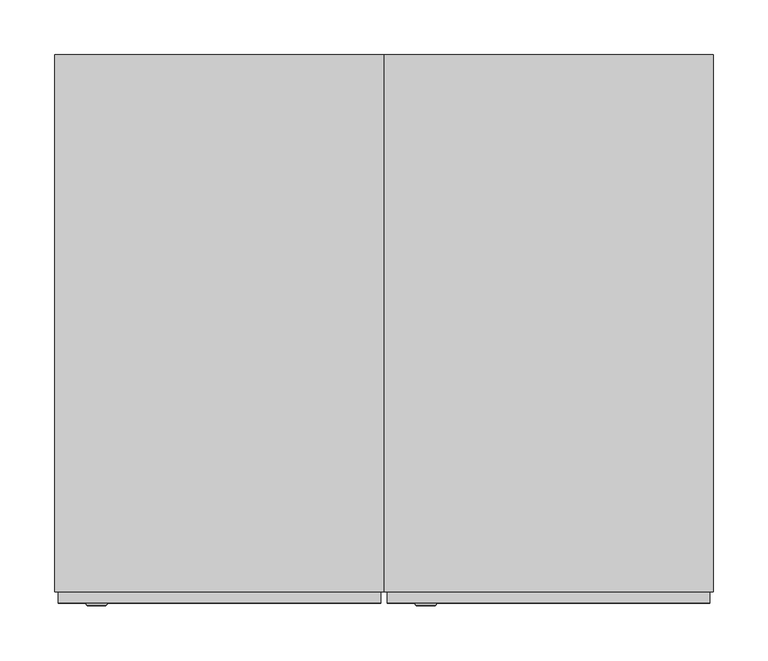
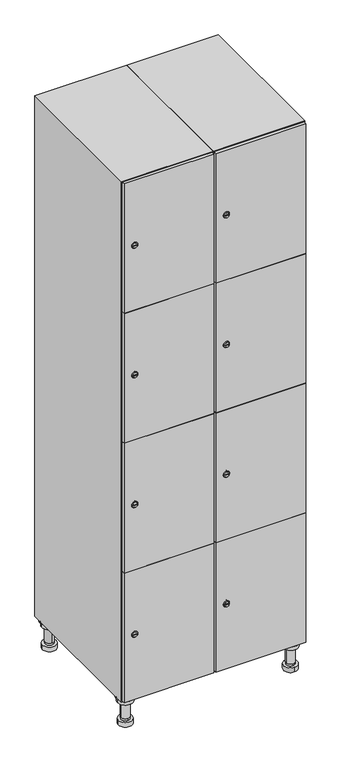
"""IFC4 building model written with IfcOpenShell, lengths in millimetres: furniture geometry."""

from ifc_helpers import new_model, si_unit, point, frame, frame_2d, origin, place, context, project, spatial, polyline, circle_curve, trimmed, segment, composite_curve, outline, extrude, faceted_brep, source, transform, mapped, element, save
from ifc_brep_helpers import plane_surface, cylinder_surface, revolved_surface, advanced_brep


def furniture_4717409e(model_context):
    return source(origin(), model_context, "Body", "SolidModel", [
        advanced_brep(
        [(370.0, -201.0, 22.0), (370.0, -201.5, 16.0), (370.0, -228.5, 16.0), (370.0, -229.0, 22.0), (356.0, -215.0, 22.0), (384.0, -215.0, 22.0), (370.0, -192.5, 16.0), (370.0, -237.5, 16.0), (370.0, -192.5, 0.0), (370.0, -237.5, 0.0), (384.0, -215.0, 78.0), (356.0, -215.0, 78.0), (395.0, -215.0, 78.0), (345.0, -215.0, 78.0), (400.0, -215.0, 94.0), (340.0, -215.0, 94.0), (345.0, -215.0, 94.0), (395.0, -215.0, 94.0), (400.0, -215.0, 100.0), (340.0, -215.0, 100.0)],
        [
            (0, 1),
            (1, 2, circle_curve(frame((370.0, -215.0, 16.0), z_axis=(0.0, 0.0, 1.0), x_axis=(0.0, -1.0, 0.0)), 13.5)),
            (2, 3),
            (3, 4, circle_curve(frame((370.0, -215.0, 22.0), z_axis=(0.0, 0.0, -1.0), x_axis=(0.0, -1.0, 0.0)), 14.0)),
            (4, 0, circle_curve(frame((370.0, -215.0, 22.0), z_axis=(0.0, 0.0, -1.0), x_axis=(0.0, -1.0, 0.0)), 14.0)),
            (0, 5, circle_curve(frame((370.0, -215.0, 22.0), z_axis=(0.0, 0.0, -1.0), x_axis=(0.0, 1.0, 0.0)), 14.0)),
            (5, 3, circle_curve(frame((370.0, -215.0, 22.0), z_axis=(0.0, 0.0, -1.0), x_axis=(0.0, 1.0, 0.0)), 14.0)),
            (2, 1, circle_curve(frame((370.0, -215.0, 16.0), z_axis=(0.0, 0.0, 1.0), x_axis=(0.0, 1.0, 0.0)), 13.5)),
            (6, 7, circle_curve(frame((370.0, -215.0, 16.0), z_axis=(0.0, 0.0, 1.0), x_axis=(0.0, -1.0, 0.0)), 22.5)),
            (7, 6, circle_curve(frame((370.0, -215.0, 16.0), z_axis=(0.0, 0.0, 1.0), x_axis=(0.0, -1.0, 0.0)), 22.5)),
            (8, 9, circle_curve(frame((370.0, -215.0, 0.0), z_axis=(0.0, 0.0, -1.0), x_axis=(0.0, -1.0, 0.0)), 22.5)),
            (9, 8, circle_curve(frame((370.0, -215.0, 0.0), z_axis=(0.0, 0.0, -1.0), x_axis=(0.0, -1.0, 0.0)), 22.5)),
            (6, 8),
            (9, 7),
            (5, 10),
            (10, 11, circle_curve(frame((370.0, -215.0, 78.0), z_axis=(0.0, 0.0, -1.0), x_axis=(-1.0, 0.0, 0.0)), 14.0)),
            (11, 4),
            (11, 10, circle_curve(frame((370.0, -215.0, 78.0), z_axis=(0.0, 0.0, -1.0), x_axis=(-1.0, 0.0, 0.0)), 14.0)),
            (12, 13, circle_curve(frame((370.0, -215.0, 78.0), z_axis=(0.0, 0.0, -1.0), x_axis=(-1.0, 0.0, 0.0)), 25.0)),
            (13, 12, circle_curve(frame((370.0, -215.0, 78.0), z_axis=(0.0, 0.0, -1.0), x_axis=(-1.0, 0.0, 0.0)), 25.0)),
            (14, 15, circle_curve(frame((370.0, -215.0, 94.0), z_axis=(0.0, 0.0, -1.0), x_axis=(-1.0, 0.0, 0.0)), 30.0)),
            (15, 14, circle_curve(frame((370.0, -215.0, 94.0), z_axis=(0.0, 0.0, -1.0), x_axis=(-1.0, 0.0, 0.0)), 30.0)),
            (16, 17, circle_curve(frame((370.0, -215.0, 94.0), z_axis=(0.0, 0.0, 1.0), x_axis=(-1.0, 0.0, 0.0)), 25.0)),
            (17, 16, circle_curve(frame((370.0, -215.0, 94.0), z_axis=(0.0, 0.0, 1.0), x_axis=(-1.0, 0.0, 0.0)), 25.0)),
            (18, 19, circle_curve(frame((370.0, -215.0, 100.0), z_axis=(0.0, 0.0, 1.0), x_axis=(-1.0, 0.0, 0.0)), 30.0)),
            (19, 18, circle_curve(frame((370.0, -215.0, 100.0), z_axis=(0.0, 0.0, 1.0), x_axis=(-1.0, 0.0, 0.0)), 30.0)),
            (14, 18),
            (19, 15),
            (12, 17),
            (16, 13),
        ],
        [
            revolved_surface(polyline([(370.0, -201.5, 16.0), (370.0, -201.0, 22.0)]), (370.0, -215.0, -146.0), (0.0, 0.0, 1.0)),
            plane_surface(frame((370.0, 0.0, 16.0), z_axis=(0.0, 0.0, 1.0), x_axis=(0.0, -1.0, 0.0))),
            plane_surface(frame((370.0, 0.0, 0.0), z_axis=(0.0, 0.0, -1.0), x_axis=(0.0, -1.0, 0.0))),
            cylinder_surface(frame((370.0, -215.0, 16.0), z_axis=(0.0, 0.0, 1.0), x_axis=(0.0, -1.0, 0.0)), 22.5),
            cylinder_surface(frame((370.0, -215.0, 22.0), z_axis=(0.0, 0.0, -1.0), x_axis=(-1.0, 0.0, 0.0)), 14.0),
            plane_surface(frame((370.0, 0.0, 78.0), z_axis=(0.0, 0.0, -1.0), x_axis=(0.0, -1.0, 0.0))),
            plane_surface(frame((370.0, 0.0, 94.0), z_axis=(0.0, 0.0, -1.0), x_axis=(0.0, -1.0, 0.0))),
            plane_surface(frame((370.0, 0.0, 100.0), z_axis=(0.0, 0.0, 1.0), x_axis=(0.0, -1.0, 0.0))),
            cylinder_surface(frame((370.0, -215.0, 94.0), z_axis=(0.0, 0.0, -1.0), x_axis=(-1.0, 0.0, 0.0)), 30.0),
            cylinder_surface(frame((370.0, -215.0, 78.0), z_axis=(0.0, 0.0, -1.0), x_axis=(-1.0, 0.0, 0.0)), 25.0),
        ],
        [
            (0, [[1, 2, 3, 4, 5]]),
            (0, [[-1, 6, 7, -3, 8]]),
            (1, [[9, 10], [-2, -8]]),
            (2, [[11, 12]]),
            (3, [[-9, 13, -12, 14]]),
            (3, [[-10, -14, -11, -13]]),
            (4, [[15, 16, 17, -4, -7]]),
            (4, [[-15, -6, -5, -17, 18]]),
            (5, [[19, 20], [-16, -18]]),
            (6, [[21, 22], [23, 24]]),
            (7, [[25, 26]]),
            (8, [[-21, 27, -26, 28]]),
            (8, [[-22, -28, -25, -27]]),
            (9, [[-19, 29, -23, 30]]),
            (9, [[-20, -30, -24, -29]]),
        ],
    ),
        advanced_brep(
        [(-170.0, -201.0, 22.0), (-170.0, -201.5, 16.0), (-170.0, -228.5, 16.0), (-170.0, -229.0, 22.0), (-184.0, -215.0, 22.0), (-156.0, -215.0, 22.0), (-147.5, -215.0, 0.0), (-192.5, -215.0, 0.0), (-147.5, -215.0, 16.0), (-192.5, -215.0, 16.0), (-156.0, -215.0, 78.0), (-184.0, -215.0, 78.0), (-145.0, -215.0, 78.0), (-195.0, -215.0, 78.0), (-140.0, -215.0, 94.0), (-200.0, -215.0, 94.0), (-195.0, -215.0, 94.0), (-145.0, -215.0, 94.0), (-140.0, -215.0, 100.0), (-200.0, -215.0, 100.0)],
        [
            (0, 1),
            (1, 2, circle_curve(frame((-170.0, -215.0, 16.0), z_axis=(0.0, 0.0, 1.0), x_axis=(0.0, -1.0, 0.0)), 13.5)),
            (2, 3),
            (3, 4, circle_curve(frame((-170.0, -215.0, 22.0), z_axis=(0.0, 0.0, -1.0), x_axis=(0.0, -1.0, 0.0)), 14.0)),
            (4, 0, circle_curve(frame((-170.0, -215.0, 22.0), z_axis=(0.0, 0.0, -1.0), x_axis=(0.0, -1.0, 0.0)), 14.0)),
            (0, 5, circle_curve(frame((-170.0, -215.0, 22.0), z_axis=(0.0, 0.0, -1.0), x_axis=(0.0, 1.0, 0.0)), 14.0)),
            (5, 3, circle_curve(frame((-170.0, -215.0, 22.0), z_axis=(0.0, 0.0, -1.0), x_axis=(0.0, 1.0, 0.0)), 14.0)),
            (2, 1, circle_curve(frame((-170.0, -215.0, 16.0), z_axis=(0.0, 0.0, 1.0), x_axis=(0.0, 1.0, 0.0)), 13.5)),
            (6, 7, circle_curve(frame((-170.0, -215.0, 0.0), z_axis=(0.0, 0.0, -1.0), x_axis=(-1.0, 0.0, 0.0)), 22.5)),
            (7, 6, circle_curve(frame((-170.0, -215.0, 0.0), z_axis=(0.0, 0.0, -1.0), x_axis=(-1.0, 0.0, 0.0)), 22.5)),
            (8, 9, circle_curve(frame((-170.0, -215.0, 16.0), z_axis=(0.0, 0.0, 1.0), x_axis=(-1.0, 0.0, 0.0)), 22.5)),
            (9, 8, circle_curve(frame((-170.0, -215.0, 16.0), z_axis=(0.0, 0.0, 1.0), x_axis=(-1.0, 0.0, 0.0)), 22.5)),
            (6, 8),
            (9, 7),
            (5, 10),
            (10, 11, circle_curve(frame((-170.0, -215.0, 78.0), z_axis=(0.0, 0.0, -1.0), x_axis=(-1.0, 0.0, 0.0)), 14.0)),
            (11, 4),
            (11, 10, circle_curve(frame((-170.0, -215.0, 78.0), z_axis=(0.0, 0.0, -1.0), x_axis=(-1.0, 0.0, 0.0)), 14.0)),
            (12, 13, circle_curve(frame((-170.0, -215.0, 78.0), z_axis=(0.0, 0.0, -1.0), x_axis=(-1.0, 0.0, 0.0)), 25.0)),
            (13, 12, circle_curve(frame((-170.0, -215.0, 78.0), z_axis=(0.0, 0.0, -1.0), x_axis=(-1.0, 0.0, 0.0)), 25.0)),
            (14, 15, circle_curve(frame((-170.0, -215.0, 94.0), z_axis=(0.0, 0.0, -1.0), x_axis=(-1.0, 0.0, 0.0)), 30.0)),
            (15, 14, circle_curve(frame((-170.0, -215.0, 94.0), z_axis=(0.0, 0.0, -1.0), x_axis=(-1.0, 0.0, 0.0)), 30.0)),
            (16, 17, circle_curve(frame((-170.0, -215.0, 94.0), z_axis=(0.0, 0.0, 1.0), x_axis=(-1.0, 0.0, 0.0)), 25.0)),
            (17, 16, circle_curve(frame((-170.0, -215.0, 94.0), z_axis=(0.0, 0.0, 1.0), x_axis=(-1.0, 0.0, 0.0)), 25.0)),
            (18, 19, circle_curve(frame((-170.0, -215.0, 100.0), z_axis=(0.0, 0.0, 1.0), x_axis=(-1.0, 0.0, 0.0)), 30.0)),
            (19, 18, circle_curve(frame((-170.0, -215.0, 100.0), z_axis=(0.0, 0.0, 1.0), x_axis=(-1.0, 0.0, 0.0)), 30.0)),
            (14, 18),
            (19, 15),
            (12, 17),
            (16, 13),
        ],
        [
            revolved_surface(polyline([(-170.0, -201.5, 16.0), (-170.0, -201.0, 22.0)]), (-170.0, -215.0, -146.0), (0.0, 0.0, 1.0)),
            plane_surface(frame((-170.0, 0.0, 0.0), z_axis=(0.0, 0.0, -1.0), x_axis=(0.0, -1.0, 0.0))),
            plane_surface(frame((-170.0, 0.0, 16.0), z_axis=(0.0, 0.0, 1.0), x_axis=(0.0, -1.0, 0.0))),
            cylinder_surface(frame((-170.0, -215.0, 0.0), z_axis=(0.0, 0.0, -1.0), x_axis=(-1.0, 0.0, 0.0)), 22.5),
            cylinder_surface(frame((-170.0, -215.0, 22.0), z_axis=(0.0, 0.0, -1.0), x_axis=(-1.0, 0.0, 0.0)), 14.0),
            plane_surface(frame((-170.0, 0.0, 78.0), z_axis=(0.0, 0.0, -1.0), x_axis=(0.0, -1.0, 0.0))),
            plane_surface(frame((-170.0, 0.0, 94.0), z_axis=(0.0, 0.0, -1.0), x_axis=(0.0, -1.0, 0.0))),
            plane_surface(frame((-170.0, 0.0, 100.0), z_axis=(0.0, 0.0, 1.0), x_axis=(0.0, -1.0, 0.0))),
            cylinder_surface(frame((-170.0, -215.0, 94.0), z_axis=(0.0, 0.0, -1.0), x_axis=(-1.0, 0.0, 0.0)), 30.0),
            cylinder_surface(frame((-170.0, -215.0, 78.0), z_axis=(0.0, 0.0, -1.0), x_axis=(-1.0, 0.0, 0.0)), 25.0),
        ],
        [
            (0, [[1, 2, 3, 4, 5]]),
            (0, [[-1, 6, 7, -3, 8]]),
            (1, [[9, 10]]),
            (2, [[11, 12], [-2, -8]]),
            (3, [[-9, 13, -12, 14]]),
            (3, [[-10, -14, -11, -13]]),
            (4, [[15, 16, 17, -4, -7]]),
            (4, [[-15, -6, -5, -17, 18]]),
            (5, [[19, 20], [-16, -18]]),
            (6, [[21, 22], [23, 24]]),
            (7, [[25, 26]]),
            (8, [[-21, 27, -26, 28]]),
            (8, [[-22, -28, -25, -27]]),
            (9, [[-19, 29, -23, 30]]),
            (9, [[-20, -30, -24, -29]]),
        ],
    ),
        advanced_brep(
        [(383.5, 215.0, 16.0), (384.0, 215.0, 22.0), (356.0, 215.0, 22.0), (356.5, 215.0, 16.0), (392.5, 215.0, 0.0), (347.5, 215.0, 0.0), (392.5, 215.0, 16.0), (347.5, 215.0, 16.0), (384.0, 215.0, 78.0), (356.0, 215.0, 78.0), (395.0, 215.0, 78.0), (345.0, 215.0, 78.0), (400.0, 215.0, 94.0), (340.0, 215.0, 94.0), (345.0, 215.0, 94.0), (395.0, 215.0, 94.0), (400.0, 215.0, 100.0), (340.0, 215.0, 100.0)],
        [
            (0, 1),
            (1, 2, circle_curve(frame((370.0, 215.0, 22.0), z_axis=(0.0, 0.0, -1.0), x_axis=(-1.0, 0.0, 0.0)), 14.0)),
            (2, 3),
            (3, 0, circle_curve(frame((370.0, 215.0, 16.0), z_axis=(0.0, 0.0, 1.0), x_axis=(-1.0, 0.0, 0.0)), 13.5)),
            (0, 3, circle_curve(frame((370.0, 215.0, 16.0), z_axis=(0.0, 0.0, 1.0), x_axis=(1.0, 0.0, 0.0)), 13.5)),
            (2, 1, circle_curve(frame((370.0, 215.0, 22.0), z_axis=(0.0, 0.0, -1.0), x_axis=(1.0, 0.0, 0.0)), 14.0)),
            (4, 5, circle_curve(frame((370.0, 215.0, 0.0), z_axis=(0.0, 0.0, -1.0), x_axis=(-1.0, 0.0, 0.0)), 22.5)),
            (5, 4, circle_curve(frame((370.0, 215.0, 0.0), z_axis=(0.0, 0.0, -1.0), x_axis=(-1.0, 0.0, 0.0)), 22.5)),
            (6, 7, circle_curve(frame((370.0, 215.0, 16.0), z_axis=(0.0, 0.0, 1.0), x_axis=(-1.0, 0.0, 0.0)), 22.5)),
            (7, 6, circle_curve(frame((370.0, 215.0, 16.0), z_axis=(0.0, 0.0, 1.0), x_axis=(-1.0, 0.0, 0.0)), 22.5)),
            (4, 6),
            (7, 5),
            (1, 8),
            (8, 9, circle_curve(frame((370.0, 215.0, 78.0), z_axis=(0.0, 0.0, -1.0), x_axis=(-1.0, 0.0, 0.0)), 14.0)),
            (9, 2),
            (9, 8, circle_curve(frame((370.0, 215.0, 78.0), z_axis=(0.0, 0.0, -1.0), x_axis=(-1.0, 0.0, 0.0)), 14.0)),
            (10, 11, circle_curve(frame((370.0, 215.0, 78.0), z_axis=(0.0, 0.0, -1.0), x_axis=(-1.0, 0.0, 0.0)), 25.0)),
            (11, 10, circle_curve(frame((370.0, 215.0, 78.0), z_axis=(0.0, 0.0, -1.0), x_axis=(-1.0, 0.0, 0.0)), 25.0)),
            (12, 13, circle_curve(frame((370.0, 215.0, 94.0), z_axis=(0.0, 0.0, -1.0), x_axis=(-1.0, 0.0, 0.0)), 30.0)),
            (13, 12, circle_curve(frame((370.0, 215.0, 94.0), z_axis=(0.0, 0.0, -1.0), x_axis=(-1.0, 0.0, 0.0)), 30.0)),
            (14, 15, circle_curve(frame((370.0, 215.0, 94.0), z_axis=(0.0, 0.0, 1.0), x_axis=(-1.0, 0.0, 0.0)), 25.0)),
            (15, 14, circle_curve(frame((370.0, 215.0, 94.0), z_axis=(0.0, 0.0, 1.0), x_axis=(-1.0, 0.0, 0.0)), 25.0)),
            (16, 17, circle_curve(frame((370.0, 215.0, 100.0), z_axis=(0.0, 0.0, 1.0), x_axis=(-1.0, 0.0, 0.0)), 30.0)),
            (17, 16, circle_curve(frame((370.0, 215.0, 100.0), z_axis=(0.0, 0.0, 1.0), x_axis=(-1.0, 0.0, 0.0)), 30.0)),
            (12, 16),
            (17, 13),
            (10, 15),
            (14, 11),
        ],
        [
            revolved_surface(polyline([(383.5, 215.0, 16.0), (384.0, 215.0, 22.0)]), (370.0, 215.0, -146.0), (0.0, 0.0, 1.0)),
            plane_surface(frame((370.0, 0.0, 0.0), z_axis=(0.0, 0.0, -1.0), x_axis=(0.0, -1.0, 0.0))),
            plane_surface(frame((370.0, 0.0, 16.0), z_axis=(0.0, 0.0, 1.0), x_axis=(0.0, -1.0, 0.0))),
            cylinder_surface(frame((370.0, 215.0, 0.0), z_axis=(0.0, 0.0, -1.0), x_axis=(-1.0, 0.0, 0.0)), 22.5),
            cylinder_surface(frame((370.0, 215.0, 22.0), z_axis=(0.0, 0.0, -1.0), x_axis=(-1.0, 0.0, 0.0)), 14.0),
            plane_surface(frame((370.0, 0.0, 78.0), z_axis=(0.0, 0.0, -1.0), x_axis=(0.0, -1.0, 0.0))),
            plane_surface(frame((370.0, 0.0, 94.0), z_axis=(0.0, 0.0, -1.0), x_axis=(0.0, -1.0, 0.0))),
            plane_surface(frame((370.0, 0.0, 100.0), z_axis=(0.0, 0.0, 1.0), x_axis=(0.0, -1.0, 0.0))),
            cylinder_surface(frame((370.0, 215.0, 94.0), z_axis=(0.0, 0.0, -1.0), x_axis=(-1.0, 0.0, 0.0)), 30.0),
            cylinder_surface(frame((370.0, 215.0, 78.0), z_axis=(0.0, 0.0, -1.0), x_axis=(-1.0, 0.0, 0.0)), 25.0),
        ],
        [
            (0, [[1, 2, 3, 4]]),
            (0, [[-1, 5, -3, 6]]),
            (1, [[7, 8]]),
            (2, [[9, 10], [-4, -5]]),
            (3, [[-7, 11, -10, 12]]),
            (3, [[-8, -12, -9, -11]]),
            (4, [[13, 14, 15, -2]]),
            (4, [[-13, -6, -15, 16]]),
            (5, [[17, 18], [-14, -16]]),
            (6, [[19, 20], [21, 22]]),
            (7, [[23, 24]]),
            (8, [[-19, 25, -24, 26]]),
            (8, [[-20, -26, -23, -25]]),
            (9, [[-17, 27, -21, 28]]),
            (9, [[-18, -28, -22, -27]]),
        ],
    ),
        advanced_brep(
        [(-156.5, 215.0, 16.0), (-156.0, 215.0, 22.0), (-170.0, 201.0, 22.0), (-184.0, 215.0, 22.0), (-183.5, 215.0, 16.0), (-170.0, 229.0, 22.0), (-147.5, 215.0, 0.0), (-192.5, 215.0, 0.0), (-147.5, 215.0, 16.0), (-192.5, 215.0, 16.0), (-170.0, 229.0, 78.0), (-170.0, 201.0, 78.0), (-145.0, 215.0, 78.0), (-195.0, 215.0, 78.0), (-140.0, 215.0, 94.0), (-200.0, 215.0, 94.0), (-195.0, 215.0, 94.0), (-145.0, 215.0, 94.0), (-140.0, 215.0, 100.0), (-200.0, 215.0, 100.0)],
        [
            (0, 1),
            (1, 2, circle_curve(frame((-170.0, 215.0, 22.0), z_axis=(0.0, 0.0, -1.0), x_axis=(-1.0, 0.0, 0.0)), 14.0)),
            (2, 3, circle_curve(frame((-170.0, 215.0, 22.0), z_axis=(0.0, 0.0, -1.0), x_axis=(-1.0, 0.0, 0.0)), 14.0)),
            (3, 4),
            (4, 0, circle_curve(frame((-170.0, 215.0, 16.0), z_axis=(0.0, 0.0, 1.0), x_axis=(-1.0, 0.0, 0.0)), 13.5)),
            (0, 4, circle_curve(frame((-170.0, 215.0, 16.0), z_axis=(0.0, 0.0, 1.0), x_axis=(1.0, 0.0, 0.0)), 13.5)),
            (3, 5, circle_curve(frame((-170.0, 215.0, 22.0), z_axis=(0.0, 0.0, -1.0), x_axis=(1.0, 0.0, 0.0)), 14.0)),
            (5, 1, circle_curve(frame((-170.0, 215.0, 22.0), z_axis=(0.0, 0.0, -1.0), x_axis=(1.0, 0.0, 0.0)), 14.0)),
            (6, 7, circle_curve(frame((-170.0, 215.0, 0.0), z_axis=(0.0, 0.0, -1.0), x_axis=(-1.0, 0.0, 0.0)), 22.5)),
            (7, 6, circle_curve(frame((-170.0, 215.0, 0.0), z_axis=(0.0, 0.0, -1.0), x_axis=(-1.0, 0.0, 0.0)), 22.5)),
            (8, 9, circle_curve(frame((-170.0, 215.0, 16.0), z_axis=(0.0, 0.0, 1.0), x_axis=(-1.0, 0.0, 0.0)), 22.5)),
            (9, 8, circle_curve(frame((-170.0, 215.0, 16.0), z_axis=(0.0, 0.0, 1.0), x_axis=(-1.0, 0.0, 0.0)), 22.5)),
            (6, 8),
            (9, 7),
            (10, 5),
            (2, 11),
            (11, 10, circle_curve(frame((-170.0, 215.0, 78.0), z_axis=(0.0, 0.0, -1.0), x_axis=(0.0, -1.0, 0.0)), 14.0)),
            (10, 11, circle_curve(frame((-170.0, 215.0, 78.0), z_axis=(0.0, 0.0, -1.0), x_axis=(0.0, -1.0, 0.0)), 14.0)),
            (12, 13, circle_curve(frame((-170.0, 215.0, 78.0), z_axis=(0.0, 0.0, -1.0), x_axis=(-1.0, 0.0, 0.0)), 25.0)),
            (13, 12, circle_curve(frame((-170.0, 215.0, 78.0), z_axis=(0.0, 0.0, -1.0), x_axis=(-1.0, 0.0, 0.0)), 25.0)),
            (14, 15, circle_curve(frame((-170.0, 215.0, 94.0), z_axis=(0.0, 0.0, -1.0), x_axis=(-1.0, 0.0, 0.0)), 30.0)),
            (15, 14, circle_curve(frame((-170.0, 215.0, 94.0), z_axis=(0.0, 0.0, -1.0), x_axis=(-1.0, 0.0, 0.0)), 30.0)),
            (16, 17, circle_curve(frame((-170.0, 215.0, 94.0), z_axis=(0.0, 0.0, 1.0), x_axis=(-1.0, 0.0, 0.0)), 25.0)),
            (17, 16, circle_curve(frame((-170.0, 215.0, 94.0), z_axis=(0.0, 0.0, 1.0), x_axis=(-1.0, 0.0, 0.0)), 25.0)),
            (18, 19, circle_curve(frame((-170.0, 215.0, 100.0), z_axis=(0.0, 0.0, 1.0), x_axis=(-1.0, 0.0, 0.0)), 30.0)),
            (19, 18, circle_curve(frame((-170.0, 215.0, 100.0), z_axis=(0.0, 0.0, 1.0), x_axis=(-1.0, 0.0, 0.0)), 30.0)),
            (14, 18),
            (19, 15),
            (12, 17),
            (16, 13),
        ],
        [
            revolved_surface(polyline([(-156.5, 215.0, 16.0), (-156.0, 215.0, 22.0)]), (-170.0, 215.0, -146.0), (0.0, 0.0, 1.0)),
            plane_surface(frame((-170.0, 0.0, 0.0), z_axis=(0.0, 0.0, -1.0), x_axis=(0.0, -1.0, 0.0))),
            plane_surface(frame((-170.0, 0.0, 16.0), z_axis=(0.0, 0.0, 1.0), x_axis=(0.0, -1.0, 0.0))),
            cylinder_surface(frame((-170.0, 215.0, 0.0), z_axis=(0.0, 0.0, -1.0), x_axis=(-1.0, 0.0, 0.0)), 22.5),
            cylinder_surface(frame((-170.0, 215.0, 78.0), z_axis=(0.0, 0.0, 1.0), x_axis=(0.0, -1.0, 0.0)), 14.0),
            plane_surface(frame((-170.0, 0.0, 78.0), z_axis=(0.0, 0.0, -1.0), x_axis=(0.0, -1.0, 0.0))),
            plane_surface(frame((-170.0, 0.0, 94.0), z_axis=(0.0, 0.0, -1.0), x_axis=(0.0, -1.0, 0.0))),
            plane_surface(frame((-170.0, 0.0, 100.0), z_axis=(0.0, 0.0, 1.0), x_axis=(0.0, -1.0, 0.0))),
            cylinder_surface(frame((-170.0, 215.0, 94.0), z_axis=(0.0, 0.0, -1.0), x_axis=(-1.0, 0.0, 0.0)), 30.0),
            cylinder_surface(frame((-170.0, 215.0, 78.0), z_axis=(0.0, 0.0, -1.0), x_axis=(-1.0, 0.0, 0.0)), 25.0),
        ],
        [
            (0, [[1, 2, 3, 4, 5]]),
            (0, [[-1, 6, -4, 7, 8]]),
            (1, [[9, 10]]),
            (2, [[11, 12], [-5, -6]]),
            (3, [[-9, 13, -12, 14]]),
            (3, [[-10, -14, -11, -13]]),
            (4, [[15, -7, -3, 16, 17]]),
            (4, [[-15, 18, -16, -2, -8]]),
            (5, [[19, 20], [-17, -18]]),
            (6, [[21, 22], [23, 24]]),
            (7, [[25, 26]]),
            (8, [[-21, 27, -26, 28]]),
            (8, [[-22, -28, -25, -27]]),
            (9, [[-19, 29, -23, 30]]),
            (9, [[-20, -30, -24, -29]]),
        ],
    ),
        extrude(outline(composite_curve([segment(trimmed(circle_curve(frame_2d((327.25, 111.2010534)), 7.0), [point((334.25, 111.2010534))], [point((320.25, 111.2010534))], False, "CARTESIAN"), True, "CONTINUOUS"), segment(polyline([(320.25, 111.2010534), (320.25, 139.2010534)]), True, "CONTINUOUS"), segment(trimmed(circle_curve(frame_2d((327.25, 139.2010534)), 7.0), [point((320.25, 139.2010534))], [point((334.25, 139.2010534))], False, "CARTESIAN"), True, "CONTINUOUS"), segment(polyline([(334.25, 139.2010534), (334.25, 111.2010534)]), True, "CONTINUOUS")], self_intersect=False)), frame((0.0, -245.0, 0.0), z_axis=(0.0, 1.0, 0.0), x_axis=(0.0, 0.0, 1.0)), (0.0, 0.0, 1.0), 2.0),
        advanced_brep(
        [(146.5, -257.2, 327.25), (129.5, -257.2, 327.25), (133.0, -257.2, 326.0), (133.0, -257.2, 328.5), (143.0, -257.2, 328.5), (143.0, -257.2, 326.0), (148.5, -255.0, 327.25), (127.5, -255.0, 327.25), (133.0, -255.0, 328.5), (133.0, -255.0, 326.0), (143.0, -255.0, 326.0), (143.0, -255.0, 328.5)],
        [
            (0, 1, circle_curve(frame((138.0, -257.2, 327.25), z_axis=(0.0, -1.0, 0.0), x_axis=(1.0, 0.0, 0.0)), 8.5)),
            (1, 0, circle_curve(frame((138.0, -257.2, 327.25), z_axis=(0.0, -1.0, 0.0), x_axis=(-1.0, 0.0, 0.0)), 8.5)),
            (2, 3),
            (3, 4),
            (4, 5),
            (5, 2),
            (6, 7, circle_curve(frame((138.0, -255.0, 327.25), z_axis=(0.0, 1.0, 0.0), x_axis=(-1.0, 0.0, 0.0)), 10.5)),
            (7, 6, circle_curve(frame((138.0, -255.0, 327.25), z_axis=(0.0, 1.0, 0.0), x_axis=(1.0, 0.0, 0.0)), 10.5)),
            (8, 9),
            (9, 10),
            (10, 11),
            (11, 8),
            (0, 6),
            (7, 1),
            (8, 3),
            (2, 9),
            (11, 4),
            (10, 5),
        ],
        [
            plane_surface(frame((138.0, -257.2, 327.25), z_axis=(0.0, -1.0, 0.0), x_axis=(0.0, 0.0, 1.0))),
            plane_surface(frame((138.0, -255.0, 327.25), z_axis=(0.0, 1.0, 0.0), x_axis=(0.0, 0.0, 1.0))),
            revolved_surface(polyline([(146.5, -257.2, 327.25), (148.5, -255.0, 327.25)]), (138.0, -266.55, 327.25), (0.0, 1.0, 0.0)),
            revolved_surface(polyline([(129.5, -257.2, 327.25), (127.5, -255.0, 327.25)]), (138.0, -266.55, 327.25), (0.0, 1.0, 0.0)),
            plane_surface(frame((133.0, -255.0, 326.0), z_axis=(1.0, 0.0, 0.0), x_axis=(0.0, -1.0, 0.0))),
            plane_surface(frame((133.0, -255.0, 328.5), z_axis=(0.0, 0.0, -1.0), x_axis=(0.0, -1.0, 0.0))),
            plane_surface(frame((143.0, -255.0, 328.5), z_axis=(-1.0, 0.0, 0.0), x_axis=(0.0, -1.0, 0.0))),
            plane_surface(frame((143.0, -255.0, 326.0), z_axis=(0.0, 0.0, 1.0), x_axis=(0.0, -1.0, 0.0))),
        ],
        [
            (0, [[1, 2], [3, 4, 5, 6]]),
            (1, [[7, 8], [9, 10, 11, 12]]),
            (2, [[-1, 13, -8, 14]]),
            (3, [[-2, -14, -7, -13]]),
            (4, [[15, -3, 16, -9]]),
            (5, [[-15, -12, 17, -4]]),
            (6, [[-17, -11, 18, -5]]),
            (7, [[-16, -6, -18, -10]]),
        ],
    ),
        extrude(outline(composite_curve([segment(trimmed(circle_curve(frame_2d((775.75, 111.2010534)), 7.0), [point((782.75, 111.2010534))], [point((768.75, 111.2010534))], False, "CARTESIAN"), True, "CONTINUOUS"), segment(polyline([(768.75, 111.2010534), (768.75, 139.2010534)]), True, "CONTINUOUS"), segment(trimmed(circle_curve(frame_2d((775.75, 139.2010534)), 7.0), [point((768.75, 139.2010534))], [point((782.75, 139.2010534))], False, "CARTESIAN"), True, "CONTINUOUS"), segment(polyline([(782.75, 139.2010534), (782.75, 111.2010534)]), True, "CONTINUOUS")], self_intersect=False)), frame((0.0, -245.0, 0.0), z_axis=(0.0, 1.0, 0.0), x_axis=(0.0, 0.0, 1.0)), (0.0, 0.0, 1.0), 2.0),
        advanced_brep(
        [(146.5, -257.2, 775.75), (129.5, -257.2, 775.75), (133.0, -257.2, 774.5), (133.0, -257.2, 777.0), (143.0, -257.2, 777.0), (143.0, -257.2, 774.5), (148.5, -255.0, 775.75), (127.5, -255.0, 775.75), (133.0, -255.0, 777.0), (133.0, -255.0, 774.5), (143.0, -255.0, 774.5), (143.0, -255.0, 777.0)],
        [
            (0, 1, circle_curve(frame((138.0, -257.2, 775.75), z_axis=(0.0, -1.0, 0.0), x_axis=(1.0, 0.0, 0.0)), 8.5)),
            (1, 0, circle_curve(frame((138.0, -257.2, 775.75), z_axis=(0.0, -1.0, 0.0), x_axis=(-1.0, 0.0, 0.0)), 8.5)),
            (2, 3),
            (3, 4),
            (4, 5),
            (5, 2),
            (6, 7, circle_curve(frame((138.0, -255.0, 775.75), z_axis=(0.0, 1.0, 0.0), x_axis=(-1.0, 0.0, 0.0)), 10.5)),
            (7, 6, circle_curve(frame((138.0, -255.0, 775.75), z_axis=(0.0, 1.0, 0.0), x_axis=(1.0, 0.0, 0.0)), 10.5)),
            (8, 9),
            (9, 10),
            (10, 11),
            (11, 8),
            (0, 6),
            (7, 1),
            (8, 3),
            (2, 9),
            (11, 4),
            (10, 5),
        ],
        [
            plane_surface(frame((138.0, -257.2, 775.75), z_axis=(0.0, -1.0, 0.0), x_axis=(0.0, 0.0, 1.0))),
            plane_surface(frame((138.0, -255.0, 775.75), z_axis=(0.0, 1.0, 0.0), x_axis=(0.0, 0.0, 1.0))),
            revolved_surface(polyline([(146.5, -257.2, 775.75), (148.5, -255.0, 775.75)]), (138.0, -266.55, 775.75), (0.0, 1.0, 0.0)),
            revolved_surface(polyline([(129.5, -257.2, 775.75), (127.5, -255.0, 775.75)]), (138.0, -266.55, 775.75), (0.0, 1.0, 0.0)),
            plane_surface(frame((133.0, -255.0, 774.5), z_axis=(1.0, 0.0, 0.0), x_axis=(0.0, -1.0, 0.0))),
            plane_surface(frame((133.0, -255.0, 777.0), z_axis=(0.0, 0.0, -1.0), x_axis=(0.0, -1.0, 0.0))),
            plane_surface(frame((143.0, -255.0, 777.0), z_axis=(-1.0, 0.0, 0.0), x_axis=(0.0, -1.0, 0.0))),
            plane_surface(frame((143.0, -255.0, 774.5), z_axis=(0.0, 0.0, 1.0), x_axis=(0.0, -1.0, 0.0))),
        ],
        [
            (0, [[1, 2], [3, 4, 5, 6]]),
            (1, [[7, 8], [9, 10, 11, 12]]),
            (2, [[-1, 13, -8, 14]]),
            (3, [[-2, -14, -7, -13]]),
            (4, [[15, -3, 16, -9]]),
            (5, [[-15, -12, 17, -4]]),
            (6, [[-17, -11, 18, -5]]),
            (7, [[-16, -6, -18, -10]]),
        ],
    ),
        extrude(outline(composite_curve([segment(trimmed(circle_curve(frame_2d((1224.25, 111.2010534)), 7.0), [point((1231.25, 111.2010534))], [point((1217.25, 111.2010534))], False, "CARTESIAN"), True, "CONTINUOUS"), segment(polyline([(1217.25, 111.2010534), (1217.25, 139.2010534)]), True, "CONTINUOUS"), segment(trimmed(circle_curve(frame_2d((1224.25, 139.2010534)), 7.0), [point((1217.25, 139.2010534))], [point((1231.25, 139.2010534))], False, "CARTESIAN"), True, "CONTINUOUS"), segment(polyline([(1231.25, 139.2010534), (1231.25, 111.2010534)]), True, "CONTINUOUS")], self_intersect=False)), frame((0.0, -245.0, 0.0), z_axis=(0.0, 1.0, 0.0), x_axis=(0.0, 0.0, 1.0)), (0.0, 0.0, 1.0), 2.0),
        advanced_brep(
        [(146.5, -257.2, 1224.25), (129.5, -257.2, 1224.25), (133.0, -257.2, 1223.0), (133.0, -257.2, 1225.5), (143.0, -257.2, 1225.5), (143.0, -257.2, 1223.0), (148.5, -255.0, 1224.25), (127.5, -255.0, 1224.25), (133.0, -255.0, 1225.5), (133.0, -255.0, 1223.0), (143.0, -255.0, 1223.0), (143.0, -255.0, 1225.5)],
        [
            (0, 1, circle_curve(frame((138.0, -257.2, 1224.25), z_axis=(0.0, -1.0, 0.0), x_axis=(1.0, 0.0, 0.0)), 8.5)),
            (1, 0, circle_curve(frame((138.0, -257.2, 1224.25), z_axis=(0.0, -1.0, 0.0), x_axis=(-1.0, 0.0, 0.0)), 8.5)),
            (2, 3),
            (3, 4),
            (4, 5),
            (5, 2),
            (6, 7, circle_curve(frame((138.0, -255.0, 1224.25), z_axis=(0.0, 1.0, 0.0), x_axis=(-1.0, 0.0, 0.0)), 10.5)),
            (7, 6, circle_curve(frame((138.0, -255.0, 1224.25), z_axis=(0.0, 1.0, 0.0), x_axis=(1.0, 0.0, 0.0)), 10.5)),
            (8, 9),
            (9, 10),
            (10, 11),
            (11, 8),
            (0, 6),
            (7, 1),
            (8, 3),
            (2, 9),
            (11, 4),
            (10, 5),
        ],
        [
            plane_surface(frame((138.0, -257.2, 1224.25), z_axis=(0.0, -1.0, 0.0), x_axis=(0.0, 0.0, 1.0))),
            plane_surface(frame((138.0, -255.0, 1224.25), z_axis=(0.0, 1.0, 0.0), x_axis=(0.0, 0.0, 1.0))),
            revolved_surface(polyline([(146.5, -257.2, 1224.25), (148.5, -255.0, 1224.25)]), (138.0, -266.55, 1224.25), (0.0, 1.0, 0.0)),
            revolved_surface(polyline([(129.5, -257.2, 1224.25), (127.5, -255.0, 1224.25)]), (138.0, -266.55, 1224.25), (0.0, 1.0, 0.0)),
            plane_surface(frame((133.0, -255.0, 1223.0), z_axis=(1.0, 0.0, 0.0), x_axis=(0.0, -1.0, 0.0))),
            plane_surface(frame((133.0, -255.0, 1225.5), z_axis=(0.0, 0.0, -1.0), x_axis=(0.0, -1.0, 0.0))),
            plane_surface(frame((143.0, -255.0, 1225.5), z_axis=(-1.0, 0.0, 0.0), x_axis=(0.0, -1.0, 0.0))),
            plane_surface(frame((143.0, -255.0, 1223.0), z_axis=(0.0, 0.0, 1.0), x_axis=(0.0, -1.0, 0.0))),
        ],
        [
            (0, [[1, 2], [3, 4, 5, 6]]),
            (1, [[7, 8], [9, 10, 11, 12]]),
            (2, [[-1, 13, -8, 14]]),
            (3, [[-2, -14, -7, -13]]),
            (4, [[15, -3, 16, -9]]),
            (5, [[-15, -12, 17, -4]]),
            (6, [[-17, -11, 18, -5]]),
            (7, [[-16, -6, -18, -10]]),
        ],
    ),
        extrude(outline(composite_curve([segment(trimmed(circle_curve(frame_2d((1672.75, 111.2010534)), 7.0), [point((1679.75, 111.2010534))], [point((1665.75, 111.2010534))], False, "CARTESIAN"), True, "CONTINUOUS"), segment(polyline([(1665.75, 111.2010534), (1665.75, 139.2010534)]), True, "CONTINUOUS"), segment(trimmed(circle_curve(frame_2d((1672.75, 139.2010534)), 7.0), [point((1665.75, 139.2010534))], [point((1679.75, 139.2010534))], False, "CARTESIAN"), True, "CONTINUOUS"), segment(polyline([(1679.75, 139.2010534), (1679.75, 111.2010534)]), True, "CONTINUOUS")], self_intersect=False)), frame((0.0, -245.0, 0.0), z_axis=(0.0, 1.0, 0.0), x_axis=(0.0, 0.0, 1.0)), (0.0, 0.0, 1.0), 2.0),
        advanced_brep(
        [(146.5, -257.2, 1672.75), (129.5, -257.2, 1672.75), (133.0, -257.2, 1671.5), (133.0, -257.2, 1674.0), (143.0, -257.2, 1674.0), (143.0, -257.2, 1671.5), (148.5, -255.0, 1672.75), (127.5, -255.0, 1672.75), (133.0, -255.0, 1674.0), (133.0, -255.0, 1671.5), (143.0, -255.0, 1671.5), (143.0, -255.0, 1674.0)],
        [
            (0, 1, circle_curve(frame((138.0, -257.2, 1672.75), z_axis=(0.0, -1.0, 0.0), x_axis=(1.0, 0.0, 0.0)), 8.5)),
            (1, 0, circle_curve(frame((138.0, -257.2, 1672.75), z_axis=(0.0, -1.0, 0.0), x_axis=(-1.0, 0.0, 0.0)), 8.5)),
            (2, 3),
            (3, 4),
            (4, 5),
            (5, 2),
            (6, 7, circle_curve(frame((138.0, -255.0, 1672.75), z_axis=(0.0, 1.0, 0.0), x_axis=(-1.0, 0.0, 0.0)), 10.5)),
            (7, 6, circle_curve(frame((138.0, -255.0, 1672.75), z_axis=(0.0, 1.0, 0.0), x_axis=(1.0, 0.0, 0.0)), 10.5)),
            (8, 9),
            (9, 10),
            (10, 11),
            (11, 8),
            (0, 6),
            (7, 1),
            (8, 3),
            (2, 9),
            (11, 4),
            (10, 5),
        ],
        [
            plane_surface(frame((138.0, -257.2, 1672.75), z_axis=(0.0, -1.0, 0.0), x_axis=(0.0, 0.0, 1.0))),
            plane_surface(frame((138.0, -255.0, 1672.75), z_axis=(0.0, 1.0, 0.0), x_axis=(0.0, 0.0, 1.0))),
            revolved_surface(polyline([(146.5, -257.2, 1672.75), (148.5, -255.0, 1672.75)]), (138.0, -266.55, 1672.75), (0.0, 1.0, 0.0)),
            revolved_surface(polyline([(129.5, -257.2, 1672.75), (127.5, -255.0, 1672.75)]), (138.0, -266.55, 1672.75), (0.0, 1.0, 0.0)),
            plane_surface(frame((133.0, -255.0, 1671.5), z_axis=(1.0, 0.0, 0.0), x_axis=(0.0, -1.0, 0.0))),
            plane_surface(frame((133.0, -255.0, 1674.0), z_axis=(0.0, 0.0, -1.0), x_axis=(0.0, -1.0, 0.0))),
            plane_surface(frame((143.0, -255.0, 1674.0), z_axis=(-1.0, 0.0, 0.0), x_axis=(0.0, -1.0, 0.0))),
            plane_surface(frame((143.0, -255.0, 1671.5), z_axis=(0.0, 0.0, 1.0), x_axis=(0.0, -1.0, 0.0))),
        ],
        [
            (0, [[1, 2], [3, 4, 5, 6]]),
            (1, [[7, 8], [9, 10, 11, 12]]),
            (2, [[-1, 13, -8, 14]]),
            (3, [[-2, -14, -7, -13]]),
            (4, [[15, -3, 16, -9]]),
            (5, [[-15, -12, 17, -4]]),
            (6, [[-17, -11, 18, -5]]),
            (7, [[-16, -6, -18, -10]]),
        ],
    ),
        extrude(outline(polyline([(397.0, -245.0), (397.0, -255.0), (103.0, -255.0), (103.0, -245.0), (397.0, -245.0)])), frame((0.0, 0.0, 551.0), z_axis=(0.0, 0.0, 1.0), x_axis=(1.0, 0.0, 0.0)), (0.0, 0.0, 1.0), 448.5),
        extrude(outline(polyline([(397.0, -245.0), (397.0, -255.0), (103.0, -255.0), (103.0, -245.0), (397.0, -245.0)])), frame((0.0, 0.0, 1000.5), z_axis=(0.0, 0.0, 1.0), x_axis=(1.0, 0.0, 0.0)), (0.0, 0.0, 1.0), 447.5),
        extrude(outline(polyline([(103.0, -255.0), (103.0, -245.0), (397.0, -245.0), (397.0, -255.0), (103.0, -255.0)])), frame((0.0, 0.0, 1449.0), z_axis=(0.0, 0.0, 1.0), x_axis=(1.0, 0.0, 0.0)), (0.0, 0.0, 1.0), 448.0),
        extrude(outline(polyline([(397.0, -245.0), (397.0, -255.0), (103.0, -255.0), (103.0, -245.0), (397.0, -245.0)])), frame((0.0, 0.0, 103.0), z_axis=(0.0, 0.0, 1.0), x_axis=(1.0, 0.0, 0.0)), (0.0, 0.0, 1.0), 449.0),
        extrude(outline(polyline([(390.0, 241.0), (390.0, -235.0), (110.0, -235.0), (110.0, 241.0), (390.0, 241.0)])), frame((0.0, 0.0, 1440.0), z_axis=(0.0, 0.0, 1.0), x_axis=(1.0, 0.0, 0.0)), (0.0, 0.0, 1.0), 10.0),
        extrude(outline(polyline([(390.0, 241.0), (390.0, -235.0), (110.0, -235.0), (110.0, 241.0), (390.0, 241.0)])), frame((0.0, 0.0, 995.0), z_axis=(0.0, 0.0, 1.0), x_axis=(1.0, 0.0, 0.0)), (0.0, 0.0, 1.0), 10.0),
        extrude(outline(polyline([(390.0, 241.0), (390.0, -235.0), (110.0, -235.0), (110.0, 241.0), (390.0, 241.0)])), frame((0.0, 0.0, 550.0), z_axis=(0.0, 0.0, 1.0), x_axis=(1.0, 0.0, 0.0)), (0.0, 0.0, 1.0), 10.0),
        faceted_brep([(400.0, -245.0, 100.0), (400.0, -245.0, 1900.0), (100.0, -245.0, 1900.0), (100.0, -245.0, 100.0), (390.0, -245.0, 1890.0), (390.0, -245.0, 110.0), (110.0, -245.0, 110.0), (110.0, -245.0, 1890.0), (400.0, 245.0, 100.0), (100.0, 245.0, 100.0), (400.0, 245.0, 1900.0), (100.0, 245.0, 1900.0), (390.0, 241.0, 1890.0), (390.0, 241.0, 110.0), (100.0, 245.0, 1890.0), (110.0, 241.0, 1890.0), (110.0, 241.0, 110.0)], [[[0, 1, 2, 3], [4, 5, 6, 7]], [[8, 0, 3, 9]], [[1, 0, 8, 10]], [[1, 10, 11, 2]], [[4, 12, 13, 5]], [[9, 3, 2, 11, 14]], [[10, 8, 9, 14, 11]], [[12, 15, 16, 13]], [[15, 7, 6, 16]], [[4, 7, 15, 12]], [[6, 5, 13, 16]]]),
        extrude(outline(composite_curve([segment(trimmed(circle_curve(frame_2d((327.25, -188.7989466)), 7.0), [point((334.25, -188.7989466))], [point((320.25, -188.7989466))], False, "CARTESIAN"), True, "CONTINUOUS"), segment(polyline([(320.25, -188.7989466), (320.25, -160.7989466)]), True, "CONTINUOUS"), segment(trimmed(circle_curve(frame_2d((327.25, -160.7989466)), 7.0), [point((320.25, -160.7989466))], [point((334.25, -160.7989466))], False, "CARTESIAN"), True, "CONTINUOUS"), segment(polyline([(334.25, -160.7989466), (334.25, -188.7989466)]), True, "CONTINUOUS")], self_intersect=False)), frame((0.0, -245.0, 0.0), z_axis=(0.0, 1.0, 0.0), x_axis=(0.0, 0.0, 1.0)), (0.0, 0.0, 1.0), 2.0),
        advanced_brep(
        [(-153.5, -257.2, 327.25), (-170.5, -257.2, 327.25), (-167.0, -257.2, 326.0), (-167.0, -257.2, 328.5), (-157.0, -257.2, 328.5), (-157.0, -257.2, 326.0), (-151.5, -255.0, 327.25), (-172.5, -255.0, 327.25), (-167.0, -255.0, 328.5), (-167.0, -255.0, 326.0), (-157.0, -255.0, 326.0), (-157.0, -255.0, 328.5)],
        [
            (0, 1, circle_curve(frame((-162.0, -257.2, 327.25), z_axis=(0.0, -1.0, 0.0), x_axis=(1.0, 0.0, 0.0)), 8.5)),
            (1, 0, circle_curve(frame((-162.0, -257.2, 327.25), z_axis=(0.0, -1.0, 0.0), x_axis=(-1.0, 0.0, 0.0)), 8.5)),
            (2, 3),
            (3, 4),
            (4, 5),
            (5, 2),
            (6, 7, circle_curve(frame((-162.0, -255.0, 327.25), z_axis=(0.0, 1.0, 0.0), x_axis=(-1.0, 0.0, 0.0)), 10.5)),
            (7, 6, circle_curve(frame((-162.0, -255.0, 327.25), z_axis=(0.0, 1.0, 0.0), x_axis=(1.0, 0.0, 0.0)), 10.5)),
            (8, 9),
            (9, 10),
            (10, 11),
            (11, 8),
            (0, 6),
            (7, 1),
            (8, 3),
            (2, 9),
            (11, 4),
            (10, 5),
        ],
        [
            plane_surface(frame((-162.0, -257.2, 327.25), z_axis=(0.0, -1.0, 0.0), x_axis=(0.0, 0.0, 1.0))),
            plane_surface(frame((-162.0, -255.0, 327.25), z_axis=(0.0, 1.0, 0.0), x_axis=(0.0, 0.0, 1.0))),
            revolved_surface(polyline([(-153.5, -257.2, 327.25), (-151.5, -255.0, 327.25)]), (-162.0, -266.55, 327.25), (0.0, 1.0, 0.0)),
            revolved_surface(polyline([(-170.5, -257.2, 327.25), (-172.5, -255.0, 327.25)]), (-162.0, -266.55, 327.25), (0.0, 1.0, 0.0)),
            plane_surface(frame((-167.0, -255.0, 326.0), z_axis=(1.0, 0.0, 0.0), x_axis=(0.0, -1.0, 0.0))),
            plane_surface(frame((-167.0, -255.0, 328.5), z_axis=(0.0, 0.0, -1.0), x_axis=(0.0, -1.0, 0.0))),
            plane_surface(frame((-157.0, -255.0, 328.5), z_axis=(-1.0, 0.0, 0.0), x_axis=(0.0, -1.0, 0.0))),
            plane_surface(frame((-157.0, -255.0, 326.0), z_axis=(0.0, 0.0, 1.0), x_axis=(0.0, -1.0, 0.0))),
        ],
        [
            (0, [[1, 2], [3, 4, 5, 6]]),
            (1, [[7, 8], [9, 10, 11, 12]]),
            (2, [[-1, 13, -8, 14]]),
            (3, [[-2, -14, -7, -13]]),
            (4, [[15, -3, 16, -9]]),
            (5, [[-15, -12, 17, -4]]),
            (6, [[-17, -11, 18, -5]]),
            (7, [[-16, -6, -18, -10]]),
        ],
    ),
        extrude(outline(composite_curve([segment(trimmed(circle_curve(frame_2d((775.75, -188.7989466)), 7.0), [point((782.75, -188.7989466))], [point((768.75, -188.7989466))], False, "CARTESIAN"), True, "CONTINUOUS"), segment(polyline([(768.75, -188.7989466), (768.75, -160.7989466)]), True, "CONTINUOUS"), segment(trimmed(circle_curve(frame_2d((775.75, -160.7989466)), 7.0), [point((768.75, -160.7989466))], [point((782.75, -160.7989466))], False, "CARTESIAN"), True, "CONTINUOUS"), segment(polyline([(782.75, -160.7989466), (782.75, -188.7989466)]), True, "CONTINUOUS")], self_intersect=False)), frame((0.0, -245.0, 0.0), z_axis=(0.0, 1.0, 0.0), x_axis=(0.0, 0.0, 1.0)), (0.0, 0.0, 1.0), 2.0),
        advanced_brep(
        [(-153.5, -257.2, 775.75), (-170.5, -257.2, 775.75), (-167.0, -257.2, 774.5), (-167.0, -257.2, 777.0), (-157.0, -257.2, 777.0), (-157.0, -257.2, 774.5), (-151.5, -255.0, 775.75), (-172.5, -255.0, 775.75), (-167.0, -255.0, 777.0), (-167.0, -255.0, 774.5), (-157.0, -255.0, 774.5), (-157.0, -255.0, 777.0)],
        [
            (0, 1, circle_curve(frame((-162.0, -257.2, 775.75), z_axis=(0.0, -1.0, 0.0), x_axis=(1.0, 0.0, 0.0)), 8.5)),
            (1, 0, circle_curve(frame((-162.0, -257.2, 775.75), z_axis=(0.0, -1.0, 0.0), x_axis=(-1.0, 0.0, 0.0)), 8.5)),
            (2, 3),
            (3, 4),
            (4, 5),
            (5, 2),
            (6, 7, circle_curve(frame((-162.0, -255.0, 775.75), z_axis=(0.0, 1.0, 0.0), x_axis=(-1.0, 0.0, 0.0)), 10.5)),
            (7, 6, circle_curve(frame((-162.0, -255.0, 775.75), z_axis=(0.0, 1.0, 0.0), x_axis=(1.0, 0.0, 0.0)), 10.5)),
            (8, 9),
            (9, 10),
            (10, 11),
            (11, 8),
            (0, 6),
            (7, 1),
            (8, 3),
            (2, 9),
            (11, 4),
            (10, 5),
        ],
        [
            plane_surface(frame((-162.0, -257.2, 775.75), z_axis=(0.0, -1.0, 0.0), x_axis=(0.0, 0.0, 1.0))),
            plane_surface(frame((-162.0, -255.0, 775.75), z_axis=(0.0, 1.0, 0.0), x_axis=(0.0, 0.0, 1.0))),
            revolved_surface(polyline([(-153.5, -257.2, 775.75), (-151.5, -255.0, 775.75)]), (-162.0, -266.55, 775.75), (0.0, 1.0, 0.0)),
            revolved_surface(polyline([(-170.5, -257.2, 775.75), (-172.5, -255.0, 775.75)]), (-162.0, -266.55, 775.75), (0.0, 1.0, 0.0)),
            plane_surface(frame((-167.0, -255.0, 774.5), z_axis=(1.0, 0.0, 0.0), x_axis=(0.0, -1.0, 0.0))),
            plane_surface(frame((-167.0, -255.0, 777.0), z_axis=(0.0, 0.0, -1.0), x_axis=(0.0, -1.0, 0.0))),
            plane_surface(frame((-157.0, -255.0, 777.0), z_axis=(-1.0, 0.0, 0.0), x_axis=(0.0, -1.0, 0.0))),
            plane_surface(frame((-157.0, -255.0, 774.5), z_axis=(0.0, 0.0, 1.0), x_axis=(0.0, -1.0, 0.0))),
        ],
        [
            (0, [[1, 2], [3, 4, 5, 6]]),
            (1, [[7, 8], [9, 10, 11, 12]]),
            (2, [[-1, 13, -8, 14]]),
            (3, [[-2, -14, -7, -13]]),
            (4, [[15, -3, 16, -9]]),
            (5, [[-15, -12, 17, -4]]),
            (6, [[-17, -11, 18, -5]]),
            (7, [[-16, -6, -18, -10]]),
        ],
    ),
        extrude(outline(composite_curve([segment(trimmed(circle_curve(frame_2d((1224.25, -188.7989466)), 7.0), [point((1231.25, -188.7989466))], [point((1217.25, -188.7989466))], False, "CARTESIAN"), True, "CONTINUOUS"), segment(polyline([(1217.25, -188.7989466), (1217.25, -160.7989466)]), True, "CONTINUOUS"), segment(trimmed(circle_curve(frame_2d((1224.25, -160.7989466)), 7.0), [point((1217.25, -160.7989466))], [point((1231.25, -160.7989466))], False, "CARTESIAN"), True, "CONTINUOUS"), segment(polyline([(1231.25, -160.7989466), (1231.25, -188.7989466)]), True, "CONTINUOUS")], self_intersect=False)), frame((0.0, -245.0, 0.0), z_axis=(0.0, 1.0, 0.0), x_axis=(0.0, 0.0, 1.0)), (0.0, 0.0, 1.0), 2.0),
        advanced_brep(
        [(-153.5, -257.2, 1224.25), (-170.5, -257.2, 1224.25), (-167.0, -257.2, 1223.0), (-167.0, -257.2, 1225.5), (-157.0, -257.2, 1225.5), (-157.0, -257.2, 1223.0), (-151.5, -255.0, 1224.25), (-172.5, -255.0, 1224.25), (-167.0, -255.0, 1225.5), (-167.0, -255.0, 1223.0), (-157.0, -255.0, 1223.0), (-157.0, -255.0, 1225.5)],
        [
            (0, 1, circle_curve(frame((-162.0, -257.2, 1224.25), z_axis=(0.0, -1.0, 0.0), x_axis=(1.0, 0.0, 0.0)), 8.5)),
            (1, 0, circle_curve(frame((-162.0, -257.2, 1224.25), z_axis=(0.0, -1.0, 0.0), x_axis=(-1.0, 0.0, 0.0)), 8.5)),
            (2, 3),
            (3, 4),
            (4, 5),
            (5, 2),
            (6, 7, circle_curve(frame((-162.0, -255.0, 1224.25), z_axis=(0.0, 1.0, 0.0), x_axis=(-1.0, 0.0, 0.0)), 10.5)),
            (7, 6, circle_curve(frame((-162.0, -255.0, 1224.25), z_axis=(0.0, 1.0, 0.0), x_axis=(1.0, 0.0, 0.0)), 10.5)),
            (8, 9),
            (9, 10),
            (10, 11),
            (11, 8),
            (0, 6),
            (7, 1),
            (8, 3),
            (2, 9),
            (11, 4),
            (10, 5),
        ],
        [
            plane_surface(frame((-162.0, -257.2, 1224.25), z_axis=(0.0, -1.0, 0.0), x_axis=(0.0, 0.0, 1.0))),
            plane_surface(frame((-162.0, -255.0, 1224.25), z_axis=(0.0, 1.0, 0.0), x_axis=(0.0, 0.0, 1.0))),
            revolved_surface(polyline([(-153.5, -257.2, 1224.25), (-151.5, -255.0, 1224.25)]), (-162.0, -266.55, 1224.25), (0.0, 1.0, 0.0)),
            revolved_surface(polyline([(-170.5, -257.2, 1224.25), (-172.5, -255.0, 1224.25)]), (-162.0, -266.55, 1224.25), (0.0, 1.0, 0.0)),
            plane_surface(frame((-167.0, -255.0, 1223.0), z_axis=(1.0, 0.0, 0.0), x_axis=(0.0, -1.0, 0.0))),
            plane_surface(frame((-167.0, -255.0, 1225.5), z_axis=(0.0, 0.0, -1.0), x_axis=(0.0, -1.0, 0.0))),
            plane_surface(frame((-157.0, -255.0, 1225.5), z_axis=(-1.0, 0.0, 0.0), x_axis=(0.0, -1.0, 0.0))),
            plane_surface(frame((-157.0, -255.0, 1223.0), z_axis=(0.0, 0.0, 1.0), x_axis=(0.0, -1.0, 0.0))),
        ],
        [
            (0, [[1, 2], [3, 4, 5, 6]]),
            (1, [[7, 8], [9, 10, 11, 12]]),
            (2, [[-1, 13, -8, 14]]),
            (3, [[-2, -14, -7, -13]]),
            (4, [[15, -3, 16, -9]]),
            (5, [[-15, -12, 17, -4]]),
            (6, [[-17, -11, 18, -5]]),
            (7, [[-16, -6, -18, -10]]),
        ],
    ),
        extrude(outline(composite_curve([segment(trimmed(circle_curve(frame_2d((1672.75, -188.7989466)), 7.0), [point((1679.75, -188.7989466))], [point((1665.75, -188.7989466))], False, "CARTESIAN"), True, "CONTINUOUS"), segment(polyline([(1665.75, -188.7989466), (1665.75, -160.7989466)]), True, "CONTINUOUS"), segment(trimmed(circle_curve(frame_2d((1672.75, -160.7989466)), 7.0), [point((1665.75, -160.7989466))], [point((1679.75, -160.7989466))], False, "CARTESIAN"), True, "CONTINUOUS"), segment(polyline([(1679.75, -160.7989466), (1679.75, -188.7989466)]), True, "CONTINUOUS")], self_intersect=False)), frame((0.0, -245.0, 0.0), z_axis=(0.0, 1.0, 0.0), x_axis=(0.0, 0.0, 1.0)), (0.0, 0.0, 1.0), 2.0),
        advanced_brep(
        [(-153.5, -257.2, 1672.75), (-170.5, -257.2, 1672.75), (-167.0, -257.2, 1671.5), (-167.0, -257.2, 1674.0), (-157.0, -257.2, 1674.0), (-157.0, -257.2, 1671.5), (-151.5, -255.0, 1672.75), (-172.5, -255.0, 1672.75), (-167.0, -255.0, 1674.0), (-167.0, -255.0, 1671.5), (-157.0, -255.0, 1671.5), (-157.0, -255.0, 1674.0)],
        [
            (0, 1, circle_curve(frame((-162.0, -257.2, 1672.75), z_axis=(0.0, -1.0, 0.0), x_axis=(1.0, 0.0, 0.0)), 8.5)),
            (1, 0, circle_curve(frame((-162.0, -257.2, 1672.75), z_axis=(0.0, -1.0, 0.0), x_axis=(-1.0, 0.0, 0.0)), 8.5)),
            (2, 3),
            (3, 4),
            (4, 5),
            (5, 2),
            (6, 7, circle_curve(frame((-162.0, -255.0, 1672.75), z_axis=(0.0, 1.0, 0.0), x_axis=(-1.0, 0.0, 0.0)), 10.5)),
            (7, 6, circle_curve(frame((-162.0, -255.0, 1672.75), z_axis=(0.0, 1.0, 0.0), x_axis=(1.0, 0.0, 0.0)), 10.5)),
            (8, 9),
            (9, 10),
            (10, 11),
            (11, 8),
            (0, 6),
            (7, 1),
            (8, 3),
            (2, 9),
            (11, 4),
            (10, 5),
        ],
        [
            plane_surface(frame((-162.0, -257.2, 1672.75), z_axis=(0.0, -1.0, 0.0), x_axis=(0.0, 0.0, 1.0))),
            plane_surface(frame((-162.0, -255.0, 1672.75), z_axis=(0.0, 1.0, 0.0), x_axis=(0.0, 0.0, 1.0))),
            revolved_surface(polyline([(-153.5, -257.2, 1672.75), (-151.5, -255.0, 1672.75)]), (-162.0, -266.55, 1672.75), (0.0, 1.0, 0.0)),
            revolved_surface(polyline([(-170.5, -257.2, 1672.75), (-172.5, -255.0, 1672.75)]), (-162.0, -266.55, 1672.75), (0.0, 1.0, 0.0)),
            plane_surface(frame((-167.0, -255.0, 1671.5), z_axis=(1.0, 0.0, 0.0), x_axis=(0.0, -1.0, 0.0))),
            plane_surface(frame((-167.0, -255.0, 1674.0), z_axis=(0.0, 0.0, -1.0), x_axis=(0.0, -1.0, 0.0))),
            plane_surface(frame((-157.0, -255.0, 1674.0), z_axis=(-1.0, 0.0, 0.0), x_axis=(0.0, -1.0, 0.0))),
            plane_surface(frame((-157.0, -255.0, 1671.5), z_axis=(0.0, 0.0, 1.0), x_axis=(0.0, -1.0, 0.0))),
        ],
        [
            (0, [[1, 2], [3, 4, 5, 6]]),
            (1, [[7, 8], [9, 10, 11, 12]]),
            (2, [[-1, 13, -8, 14]]),
            (3, [[-2, -14, -7, -13]]),
            (4, [[15, -3, 16, -9]]),
            (5, [[-15, -12, 17, -4]]),
            (6, [[-17, -11, 18, -5]]),
            (7, [[-16, -6, -18, -10]]),
        ],
    ),
        extrude(outline(polyline([(97.0, -245.0), (97.0, -255.0), (-197.0, -255.0), (-197.0, -245.0), (97.0, -245.0)])), frame((0.0, 0.0, 551.0), z_axis=(0.0, 0.0, 1.0), x_axis=(1.0, 0.0, 0.0)), (0.0, 0.0, 1.0), 448.5),
        extrude(outline(polyline([(97.0, -245.0), (97.0, -255.0), (-197.0, -255.0), (-197.0, -245.0), (97.0, -245.0)])), frame((0.0, 0.0, 1000.5), z_axis=(0.0, 0.0, 1.0), x_axis=(1.0, 0.0, 0.0)), (0.0, 0.0, 1.0), 447.5),
        extrude(outline(polyline([(-197.0, -255.0), (-197.0, -245.0), (97.0, -245.0), (97.0, -255.0), (-197.0, -255.0)])), frame((0.0, 0.0, 1449.0), z_axis=(0.0, 0.0, 1.0), x_axis=(1.0, 0.0, 0.0)), (0.0, 0.0, 1.0), 448.0),
        extrude(outline(polyline([(97.0, -245.0), (97.0, -255.0), (-197.0, -255.0), (-197.0, -245.0), (97.0, -245.0)])), frame((0.0, 0.0, 103.0), z_axis=(0.0, 0.0, 1.0), x_axis=(1.0, 0.0, 0.0)), (0.0, 0.0, 1.0), 449.0),
        extrude(outline(polyline([(90.0, 241.0), (90.0, -235.0), (-190.0, -235.0), (-190.0, 241.0), (90.0, 241.0)])), frame((0.0, 0.0, 1440.0), z_axis=(0.0, 0.0, 1.0), x_axis=(1.0, 0.0, 0.0)), (0.0, 0.0, 1.0), 10.0),
        extrude(outline(polyline([(90.0, 241.0), (90.0, -235.0), (-190.0, -235.0), (-190.0, 241.0), (90.0, 241.0)])), frame((0.0, 0.0, 995.0), z_axis=(0.0, 0.0, 1.0), x_axis=(1.0, 0.0, 0.0)), (0.0, 0.0, 1.0), 10.0),
        extrude(outline(polyline([(90.0, 241.0), (90.0, -235.0), (-190.0, -235.0), (-190.0, 241.0), (90.0, 241.0)])), frame((0.0, 0.0, 550.0), z_axis=(0.0, 0.0, 1.0), x_axis=(1.0, 0.0, 0.0)), (0.0, 0.0, 1.0), 10.0),
        faceted_brep([(100.0, -245.0, 100.0), (100.0, -245.0, 1900.0), (-200.0, -245.0, 1900.0), (-200.0, -245.0, 100.0), (90.0, -245.0, 1890.0), (90.0, -245.0, 110.0), (-190.0, -245.0, 110.0), (-190.0, -245.0, 1890.0), (100.0, 245.0, 100.0), (-200.0, 245.0, 100.0), (100.0, 245.0, 1900.0), (-200.0, 245.0, 1900.0), (90.0, 241.0, 1890.0), (90.0, 241.0, 110.0), (-200.0, 245.0, 1890.0), (-190.0, 241.0, 1890.0), (-190.0, 241.0, 110.0)], [[[0, 1, 2, 3], [4, 5, 6, 7]], [[8, 0, 3, 9]], [[1, 0, 8, 10]], [[1, 10, 11, 2]], [[4, 12, 13, 5]], [[9, 3, 2, 11, 14]], [[10, 8, 9, 14, 11]], [[12, 15, 16, 13]], [[15, 7, 6, 16]], [[4, 7, 15, 12]], [[6, 5, 13, 16]]]),
    ])


if __name__ == "__main__":
    model = new_model("IFC4")
    model_context = context("Model", 3, world=origin())
    ifc_project = project(units=[si_unit("LENGTHUNIT", "METRE", prefix="MILLI")], contexts=[model_context])
    site = spatial("IfcSite", under=ifc_project)
    building = spatial("IfcBuilding", under=site)
    placement = place(None, origin())
    furniture_shape = furniture_4717409e(model_context)
    element("IfcFurniture", 1, at=placement, inside=building, context=model_context, shape_type="MappedRepresentation", body=[
        mapped(furniture_shape, transform((0.0, 0.0, 0.0), x_axis=(1.0, 0.0, 0.0), y_axis=(0.0, 1.0, 0.0), z_axis=(0.0, 0.0, 1.0))),
    ])
    save(model, "model.ifc")
